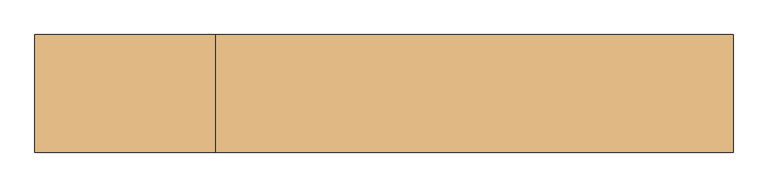
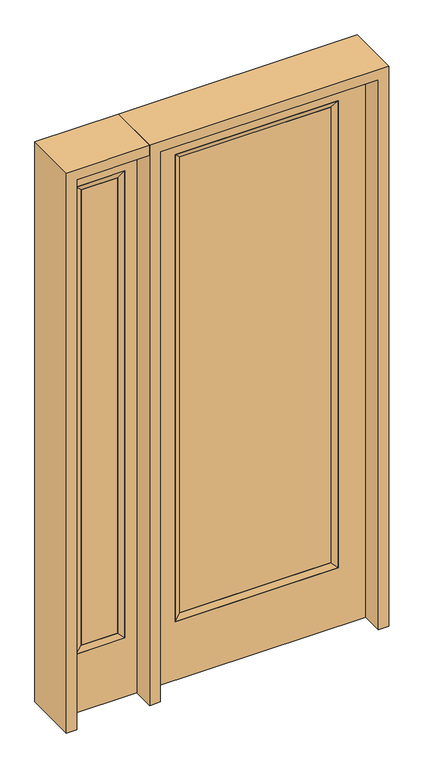
"""IFC4 building model written with IfcOpenShell, lengths in millimetres: door geometry."""

from ifc_helpers import new_model, si_unit, frame, origin, place, context, project, spatial, polyline, outline, extrude, faceted_brep, source, transform, mapped, element, save


def door_bec2b045(model_context):
    return source(origin(), model_context, "Body", "SolidModel", [
        extrude(outline(polyline([(316.3824, -12.7039749), (-316.3824, -12.7039749), (-316.3824, 14.2875), (316.3824, 14.2875), (316.3824, -12.7039749)])), frame((0.0, 0.0, 285.75), z_axis=(0.0, 0.0, 1.0), x_axis=(1.0, 0.0, 0.0)), (0.0, 0.0, 1.0), 2019.3),
        faceted_brep([(316.3824, 14.2875, 2305.05), (341.7824, 22.225, 2330.45), (341.7824, 22.225, 260.35), (316.3824, 14.2875, 285.75), (341.7824, -22.225, 2330.45), (341.7824, -22.225, 260.35), (-341.7824, 22.225, 260.35), (-316.3824, 14.2875, 285.75), (316.3824, -12.7039749, 2305.05), (316.3824, -12.7039749, 285.75), (-316.3824, -12.7039749, 285.75), (-341.7824, -22.225, 260.35), (-341.7824, 22.225, 2330.45), (-316.3824, 14.2875, 2305.05), (-316.3824, -12.7039749, 2305.05), (-341.7824, -22.225, 2330.45)], [[[0, 1, 2, 3]], [[1, 4, 5, 2]], [[3, 2, 6, 7]], [[8, 0, 3, 9]], [[9, 3, 7, 10]], [[4, 8, 9, 5]], [[5, 9, 10, 11]], [[2, 5, 11, 6]], [[7, 6, 12, 13]], [[10, 7, 13, 14]], [[11, 10, 14, 15]], [[6, 11, 15, 12]], [[13, 12, 1, 0]], [[14, 13, 0, 8]], [[15, 14, 8, 4]], [[12, 15, 4, 1]]]),
        extrude(outline(polyline([(0.0, -457.2), (0.0, 457.2), (2438.4, 457.2), (2438.4, -457.2), (0.0, -457.2)]), holes=[polyline([(260.35, -341.7824), (2330.45, -341.7824), (2330.45, 341.7824), (260.35, 341.7824), (260.35, -341.7824)])]), frame((0.0, -22.225, 0.0), z_axis=(0.0, 1.0, 0.0), x_axis=(0.0, 0.0, 1.0)), (0.0, 0.0, 1.0), 44.45),
        faceted_brep([(-552.45, 20.6375, 2330.45), (-552.45, -20.6375, 2330.45), (-552.45, -20.6375, 260.35), (-552.45, 20.6375, 260.35), (-577.85, -12.7, 2305.05), (-577.85, -12.7, 285.75), (-755.65, -20.6375, 260.35), (-755.65, 20.6375, 260.35), (-577.85, 12.7, 2305.05), (-577.85, 12.7, 285.75), (-730.25, 12.7, 285.75), (-730.25, -12.7, 285.75), (-755.65, -20.6375, 2330.45), (-755.65, 20.6375, 2330.45), (-730.25, 12.7, 2305.05), (-730.25, -12.7, 2305.05)], [[[0, 1, 2, 3]], [[1, 4, 5, 2]], [[3, 2, 6, 7]], [[8, 0, 3, 9]], [[9, 3, 7, 10]], [[4, 8, 9, 5]], [[5, 9, 10, 11]], [[2, 5, 11, 6]], [[7, 6, 12, 13]], [[10, 7, 13, 14]], [[11, 10, 14, 15]], [[6, 11, 15, 12]], [[13, 12, 1, 0]], [[14, 13, 0, 8]], [[15, 14, 8, 4]], [[12, 15, 4, 1]]]),
        extrude(outline(polyline([(0.0, -806.45), (0.0, -501.65), (2438.4, -501.65), (2438.4, -806.45), (0.0, -806.45)]), holes=[polyline([(2330.45, -552.45), (260.35, -552.45), (260.35, -755.65), (2330.45, -755.65), (2330.45, -552.45)])]), frame((0.0, -20.6375, 0.0), z_axis=(0.0, 1.0, 0.0), x_axis=(0.0, 0.0, 1.0)), (0.0, 0.0, 1.0), 41.275),
        extrude(outline(polyline([(-577.85, -12.7), (-730.25, -12.7), (-730.25, 12.7), (-577.85, 12.7), (-577.85, -12.7)])), frame((0.0, 0.0, 284.95625), z_axis=(0.0, 0.0, 1.0), x_axis=(1.0, 0.0, 0.0)), (0.0, 0.0, 1.0), 2020.09375),
        extrude(outline(polyline([(2438.4, -501.65), (2482.85, -501.65), (2482.85, -850.9), (0.0, -850.9), (0.0, -806.45), (2438.4, -806.45), (2438.4, -501.65)])), frame((0.0, -114.3, 0.0), z_axis=(0.0, 1.0, 0.0), x_axis=(0.0, 0.0, 1.0)), (0.0, 0.0, 1.0), 228.6),
        extrude(outline(polyline([(2482.85, -501.65), (0.0, -501.65), (0.0, -457.2), (2438.4, -457.2), (2438.4, 457.2), (0.0, 457.2), (0.0, 501.65), (2482.85, 501.65), (2482.85, -501.65)])), frame((0.0, -114.3, 0.0), z_axis=(0.0, 1.0, 0.0), x_axis=(0.0, 0.0, 1.0)), (0.0, 0.0, 1.0), 228.6),
    ])


if __name__ == "__main__":
    model = new_model("IFC4")
    model_context = context("Model", 3, world=origin())
    ifc_project = project(units=[si_unit("LENGTHUNIT", "METRE", prefix="MILLI")], contexts=[model_context])
    site = spatial("IfcSite", under=ifc_project)
    building = spatial("IfcBuilding", under=site)
    placement = place(None, origin())
    door_shape = door_bec2b045(model_context)
    element("IfcDoor", 1, at=placement, inside=building, context=model_context, shape_type="MappedRepresentation", body=[
        mapped(door_shape, transform((0.0, 0.0, 0.0), x_axis=(1.0, 0.0, 0.0), y_axis=(0.0, 1.0, 0.0), z_axis=(0.0, 0.0, 1.0))),
    ])
    save(model, "model.ifc")
